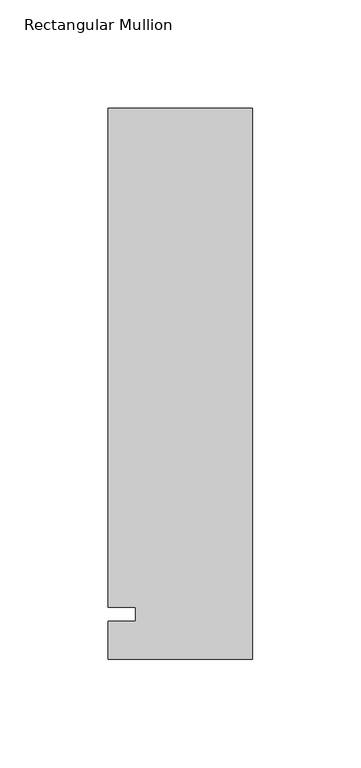
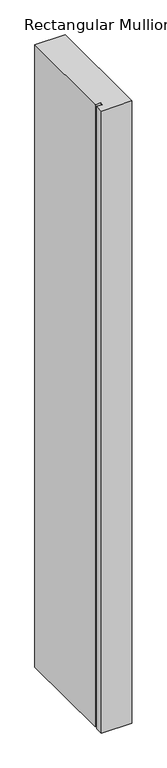
"""IFC4 building model written with IfcOpenShell, lengths in millimetres: member geometry, Rectangular Mullion."""

from ifc_helpers import new_model, si_unit, frame, origin, place, context, project, spatial, polyline, outline, extrude, source, transform, mapped, element, save


def rectangular_mullion_15cd62f0(model_context):
    return source(origin(), model_context, "Body", "SweptSolid", [
        extrude(outline(polyline([(-66.675, 233.3625), (0.0, 233.3625), (0.0, -20.6375), (-66.675, -20.6375), (-66.675, -3.175), (-53.9732296, -3.175), (-53.9732296, 3.175), (-66.675, 3.175), (-66.675, 233.3625)])), frame((0.0, 0.0, -1449.9166667), z_axis=(0.0, 0.0, 1.0), x_axis=(1.0, 0.0, 0.0)), (0.0, 0.0, 1.0), 1449.9166667),
    ])


if __name__ == "__main__":
    model = new_model("IFC4")
    model_context = context("Model", 3, world=origin())
    ifc_project = project(units=[si_unit("LENGTHUNIT", "METRE", prefix="MILLI")], contexts=[model_context])
    site = spatial("IfcSite", under=ifc_project)
    building = spatial("IfcBuilding", under=site)
    placement = place(None, origin())
    rectangular_mullion_shape = rectangular_mullion_15cd62f0(model_context)
    element("IfcMember", 1, ObjectType="Rectangular Mullion", at=placement, inside=building, context=model_context, shape_type="MappedRepresentation", body=[
        mapped(rectangular_mullion_shape, transform((0.0, 0.0, 0.0), x_axis=(1.0, 0.0, 0.0), y_axis=(0.0, 1.0, 0.0), z_axis=(0.0, 0.0, 1.0))),
    ])
    save(model, "model.ifc")
